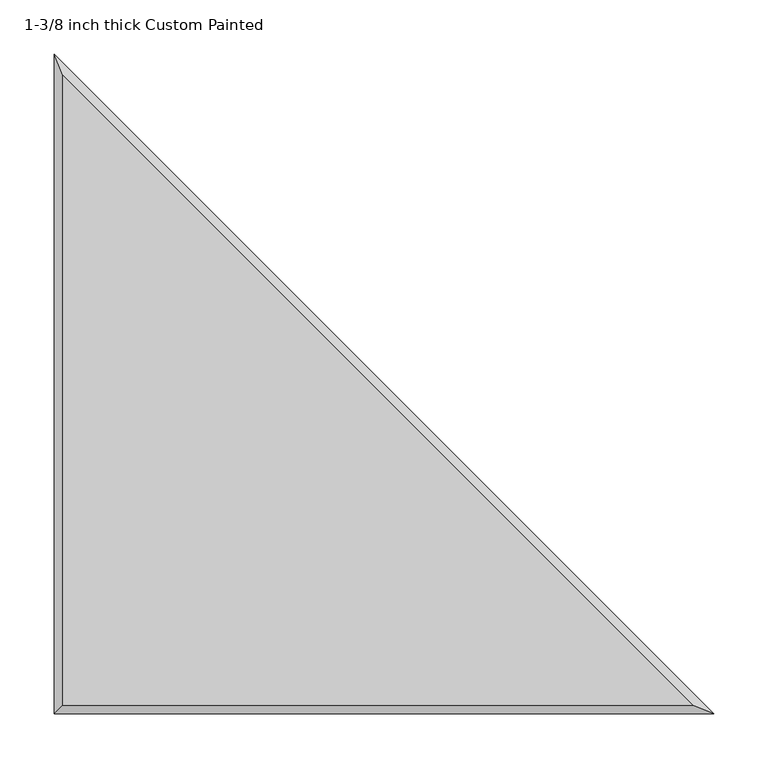
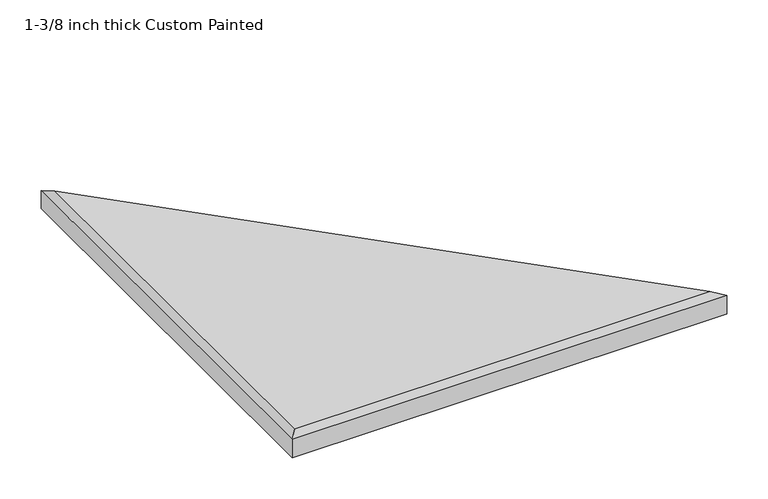
"""IFC4 building model written with IfcOpenShell, lengths in millimetres: proxy geometry, 1-3/8 inch thick Custom Painted."""

from ifc_helpers import new_model, si_unit, origin, place, context, project, spatial, faceted_brep, source, transform, mapped, element, save


def proxy_1_3_8_inch_thick_custom_painted_054a21ea(model_context):
    return source(origin(), model_context, "Body", "Brep", [
        faceted_brep([(8.001, 8.001, 34.925), (590.2838773, 8.001, 34.925), (8.001, 590.2838773, 34.925), (0.0, 609.6, 0.0), (609.6, 0.0, 0.0), (0.0, 0.0, 0.0), (0.0, 0.0, 26.924), (0.0, 609.6, 26.924), (609.6, 0.0, 26.924)], [[[0, 1, 2]], [[3, 4, 5]], [[3, 5, 6, 7]], [[5, 4, 8, 6]], [[4, 3, 7, 8]], [[8, 1, 0, 6]], [[1, 8, 7, 2]], [[6, 0, 2, 7]]]),
    ])


if __name__ == "__main__":
    model = new_model("IFC4")
    model_context = context("Model", 3, world=origin())
    ifc_project = project(units=[si_unit("LENGTHUNIT", "METRE", prefix="MILLI")], contexts=[model_context])
    site = spatial("IfcSite", under=ifc_project)
    building = spatial("IfcBuilding", under=site)
    placement = place(None, origin())
    proxy_1_3_8_inch_thick_custom_painted_shape = proxy_1_3_8_inch_thick_custom_painted_054a21ea(model_context)
    element("IfcBuildingElementProxy", 1, Name="1-3/8 inch thick Custom Painted", ObjectType="1-3/8 inch thick Custom Painted", at=placement, inside=building, context=model_context, shape_type="MappedRepresentation", body=[
        mapped(proxy_1_3_8_inch_thick_custom_painted_shape, transform((0.0, 0.0, 0.0), x_axis=(1.0, 0.0, 0.0), y_axis=(0.0, 1.0, 0.0), z_axis=(0.0, 0.0, 1.0))),
    ])
    save(model, "model.ifc")
